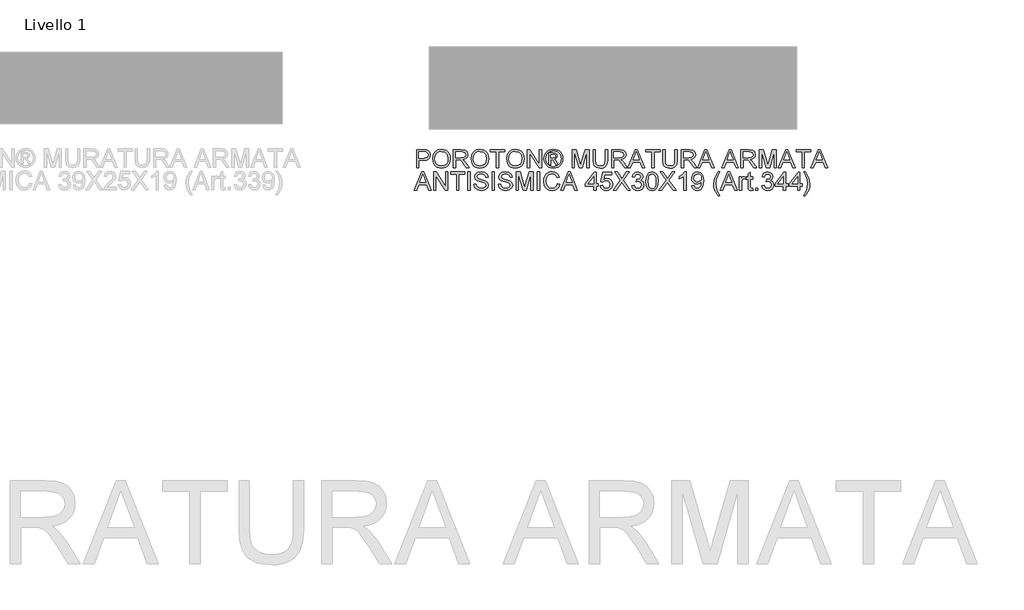
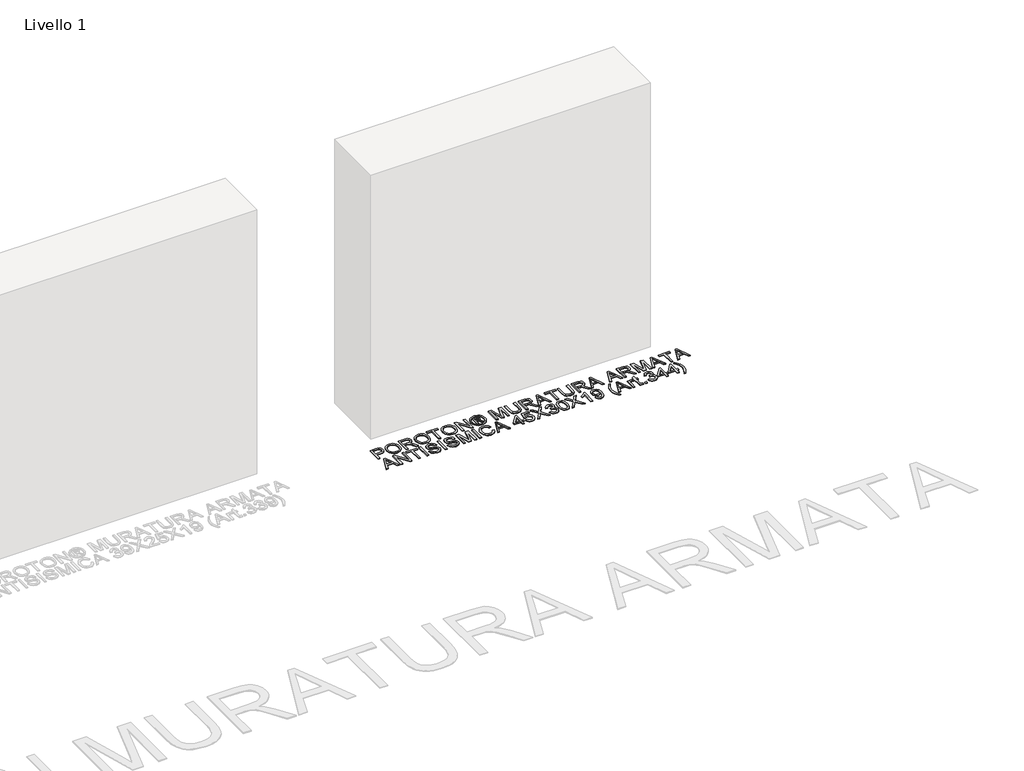
# One storey, part 6 of 8: 1 proxy.
"""IFC4 building model written with IfcOpenShell, lengths in millimetres."""

import ifcopenshell
import ifcopenshell.guid

model = None  # the IFC model being written
_history = None  # IfcOwnerHistory: only IFC2X3 demands one
_inside = {}  # id of a spatial element -> (the spatial element, [elements in it])
_under = {}  # id of a project, library or spatial element -> (it, [spatial elements below it])
_declared = {}  # id of a project -> (the project, [libraries it declares])
_typed = {}  # id of a type object -> (the type object, [elements of that type])
_made_of = {}  # id of a material, layer set ... -> (it, [elements and type objects made of it])


def new_model(schema):
    """Start an empty IFC model of exactly this schema.

    Asked for "IFC4X3", IfcOpenShell would pick the latest addendum, in which some entities
    have other attributes; the version numbers below select the first issue.
    IFC2X3 requires an IfcOwnerHistory on every rooted entity: one is made here for all.
    """
    global model, _history
    if schema == "IFC4X3":
        model = ifcopenshell.file(schema_version=(4, 3, 0, 0))
    else:
        model = ifcopenshell.file(schema=schema)
    _inside.clear()
    _under.clear()
    _declared.clear()
    _typed.clear()
    _made_of.clear()
    _history = None
    if model.schema == "IFC2X3":
        org = make("IfcOrganization", Name="unknown")
        user = make(
            "IfcPersonAndOrganization",
            ThePerson=make("IfcPerson", FamilyName="unknown"),
            TheOrganization=org,
        )
        app = make(
            "IfcApplication",
            ApplicationDeveloper=org,
            Version="unknown",
            ApplicationFullName="unknown",
            ApplicationIdentifier="unknown",
        )
        _history = make(
            "IfcOwnerHistory",
            OwningUser=user,
            OwningApplication=app,
            ChangeAction="ADDED",
            CreationDate=0,
        )
    return model


def make(cls, **values):
    """One entity of the class cls with the attributes given. An attribute that is None is left unset."""
    return model.create_entity(
        cls, **{name: value for name, value in values.items() if value is not None}
    )


def rooted(cls, **values):
    """An entity with a GlobalId (a new one), such as an element, a storey or a relation."""
    return make(cls, GlobalId=ifcopenshell.guid.new(), OwnerHistory=_history, **values)


def si_unit(unit_type, name, prefix=None):
    """IfcSIUnit, for example si_unit("LENGTHUNIT", "METRE", prefix="MILLI")."""
    return make("IfcSIUnit", UnitType=unit_type, Prefix=prefix, Name=name)


def assignment(units):
    """IfcUnitAssignment: the units of a project."""
    return None if units is None else make("IfcUnitAssignment", Units=units)


def point(xyz):
    """IfcCartesianPoint."""
    return None if xyz is None else make("IfcCartesianPoint", Coordinates=xyz)


def direction(xyz):
    """IfcDirection."""
    return None if xyz is None else make("IfcDirection", DirectionRatios=xyz)


def frame(location, z_axis=None, x_axis=None):
    """IfcAxis2Placement3D, a coordinate frame: its origin and axes. An axis left out is left unset."""
    return make(
        "IfcAxis2Placement3D",
        Location=point(location),
        Axis=direction(z_axis),
        RefDirection=direction(x_axis),
    )


def origin():
    """The frame at (0, 0, 0) with its axes left unset."""
    return frame((0.0, 0.0, 0.0))


def origin_with_axes():
    """The frame at (0, 0, 0) with the z axis (0, 0, 1) and the x axis (1, 0, 0) written out."""
    return frame((0.0, 0.0, 0.0), z_axis=(0.0, 0.0, 1.0), x_axis=(1.0, 0.0, 0.0))


def place(relative_to, where):
    """IfcLocalPlacement: puts the frame where relative to a parent placement (None: the world)."""
    return make(
        "IfcLocalPlacement", PlacementRelTo=relative_to, RelativePlacement=where
    )


def context(
    kind, dimensions, precision=None, world=None, true_north=None, identifier=None
):
    """IfcGeometricRepresentationContext, for example the 3D "Model" context."""
    return make(
        "IfcGeometricRepresentationContext",
        ContextIdentifier=identifier,
        ContextType=kind,
        CoordinateSpaceDimension=dimensions,
        Precision=precision,
        WorldCoordinateSystem=world,
        TrueNorth=true_north,
    )


def project(units=None, contexts=None):
    """IfcProject with its units and contexts."""
    return rooted(
        "IfcProject",
        Name="project",
        RepresentationContexts=contexts,
        UnitsInContext=assignment(units),
    )


def spatial(cls, under=None, at=None, **own):
    """A site, building, storey or space (cls), placed at a placement, below another one or the project."""
    s = rooted(cls, ObjectPlacement=at, **own)
    if under is not None:
        _under.setdefault(under.id(), (under, []))[1].append(s)
    return s


def polyline(points):
    """IfcPolyline through the points."""
    return make("IfcPolyline", Points=[point(p) for p in points])


def outline(outer, holes=None, kind="AREA"):
    """IfcArbitraryClosedProfileDef: a profile drawn as a closed curve; with holes, ...WithVoids."""
    if holes is None:
        return make("IfcArbitraryClosedProfileDef", ProfileType=kind, OuterCurve=outer)
    return make(
        "IfcArbitraryProfileDefWithVoids",
        ProfileType=kind,
        OuterCurve=outer,
        InnerCurves=holes,
    )


def extrude(swept, where, along, depth):
    """IfcExtrudedAreaSolid: the profile swept, set in the frame where, extruded along a direction by depth."""
    return make(
        "IfcExtrudedAreaSolid",
        SweptArea=swept,
        Position=where,
        ExtrudedDirection=direction(along),
        Depth=depth,
    )


def shape(context_of_items, identifier, shape_type, items):
    """IfcShapeRepresentation: the items that make up one representation, for example the "Body"."""
    return make(
        "IfcShapeRepresentation",
        ContextOfItems=context_of_items,
        RepresentationIdentifier=identifier,
        RepresentationType=shape_type,
        Items=items,
    )


def made_of(thing, what):
    """Note that an element or type object is made of a material, layer set ...; save() writes the relation."""
    if what is not None:
        _made_of.setdefault(what.id(), (what, []))[1].append(thing)
    return thing


def element(
    cls,
    number,
    at=None,
    inside=None,
    cuts=None,
    type_object=None,
    material=None,
    context=None,
    identifier="Body",
    shape_type=None,
    held_by="IfcProductDefinitionShape",
    body=None,
    shapes=None,
    **own,
):
    """One element of the class cls, such as IfcWall. Its Tag is "e" and its number.

    at: its placement. inside: the storey or other place that contains it. cuts: it is an
    opening in that element (IfcRelVoidsElement). A single representation is given by context,
    identifier, shape_type and body (its items); several are given by shapes. held_by: the class
    of the entity that holds the representations. save() writes the other relations.
    """
    e = rooted(cls, Tag="e%d" % number, ObjectPlacement=at, **own)
    if body is not None:
        shapes = [shape(context, identifier, shape_type, body)]
    if shapes is not None:
        e.Representation = make(held_by, Representations=shapes)
    if inside is not None:
        _inside.setdefault(inside.id(), (inside, []))[1].append(e)
    if cuts is not None:
        rooted(
            "IfcRelVoidsElement", RelatingBuildingElement=cuts, RelatedOpeningElement=e
        )
    if type_object is not None:
        _typed.setdefault(type_object.id(), (type_object, []))[1].append(e)
    return made_of(e, material)


def aggregate(whole, parts):
    """IfcRelAggregates: a whole, such as a stair, and the parts it consists of."""
    return rooted("IfcRelAggregates", RelatingObject=whole, RelatedObjects=parts)


def save(model, path):
    """Write the relations noted so far, then the file.

    IfcRelAggregates (storeys below a building ...), IfcRelContainedInSpatialStructure (elements
    in a storey), IfcRelDefinesByType, IfcRelAssociatesMaterial and IfcRelDeclares: one each for
    every whole, place, type object, material and project.
    """
    for whole, parts in _under.values():
        aggregate(whole, parts)
    for where, things in _inside.values():
        rooted(
            "IfcRelContainedInSpatialStructure",
            RelatedElements=things,
            RelatingStructure=where,
        )
    for kind, things in _typed.values():
        rooted("IfcRelDefinesByType", RelatedObjects=things, RelatingType=kind)
    for what, things in _made_of.values():
        rooted("IfcRelAssociatesMaterial", RelatedObjects=things, RelatingMaterial=what)
    for by, libraries in _declared.values():
        rooted("IfcRelDeclares", RelatingContext=by, RelatedDefinitions=libraries)
    model.write(path)


model = new_model("IFC4")

# Units and contexts
model_context = context("Model", 3, world=origin())
ifc_project = project(units=[si_unit("LENGTHUNIT", "METRE", prefix="MILLI")], contexts=[model_context])

# Site, building, storey
site = spatial("IfcSite", under=ifc_project)
building = spatial("IfcBuilding", under=site)
storey = spatial("IfcBuildingStorey", under=building, Name="Livello 1", Elevation=0.0)

# Proxy
placement = place(None, origin())
element("IfcBuildingElementProxy", 1, Name="100", ObjectType="100", at=placement, inside=storey, context=model_context, shape_type="SweptSolid", body=[
    extrude(outline(polyline([(4362.7441809, -943.4379077), (4362.7441809, -842.9815975), (4399.9738388, -842.9815975), (4414.9834242, -843.9380907), (4427.1848437, -848.6347175), (4435.0943066, -858.3468022), (4438.0864135, -872.0442751), (4436.0661282, -883.883944), (4430.0052724, -893.7493128), (4418.6714412, -900.407977), (4400.8322302, -902.6275317), (4375.3012197, -902.6275317), (4375.3012197, -943.4379077), (4362.7441809, -943.4379077)]), holes=[polyline([(4375.3012197, -890.0704929), (4401.5679941, -890.0704929), (4420.0601958, -885.4597052), (4424.16208, -879.9108185), (4425.5293748, -872.4857335), (4422.3042759, -862.0869358), (4413.8307273, -856.3970276), (4401.2736885, -855.5386363), (4375.3012197, -855.5386363), (4375.3012197, -890.0704929)])]), origin_with_axes(), (0.0, 0.0, 1.0), 5.0),
    extrude(outline(polyline([(4450.6434523, -894.5341278), (4453.9911785, -872.3201866), (4464.0343569, -855.5141108), (4479.3689048, -844.9375035), (4498.590739, -841.4119677), (4511.7670458, -843.0674366), (4523.5821892, -848.0338436), (4533.3923757, -855.9617006), (4540.5538119, -866.5015197), (4544.9316077, -879.1443976), (4546.3908729, -893.3814309), (4544.8549656, -907.8085364), (4540.2472436, -920.629224), (4532.8221587, -931.1874372), (4522.8341625, -938.82712), (4511.1201866, -943.4624331), (4498.5171626, -945.0075375), (4485.1385207, -943.2999519), (4473.2559323, -938.1771951), (4463.4702712, -930.1021853), (4456.3824114, -919.5378407), (4450.6434523, -894.5341278)]), holes=[polyline([(4463.2004911, -894.6567551), (4465.7112857, -910.3714477), (4473.2436695, -922.3460066), (4484.5652379, -929.9243757), (4498.4435862, -932.4504987), (4512.5242696, -929.8998502), (4523.8642321, -922.2479047), (4531.3414336, -909.9054638), (4533.8338341, -893.283329), (4529.566403, -872.5593099), (4517.0952034, -858.8373115), (4498.6643154, -853.9690064), (4485.1569148, -856.3142542), (4473.6728652, -863.3499973), (4465.8185846, -875.8671822), (4463.2004911, -894.6567551)])]), origin_with_axes(), (0.0, 0.0, 1.0), 5.0),
    extrude(outline(polyline([(4563.6568012, -943.4379077), (4563.6568012, -842.9815975), (4606.9442493, -842.9815975), (4627.042869, -845.6916615), (4638.0302779, -855.2811189), (4642.1382935, -870.4746453), (4640.4368393, -880.370671), (4635.3324766, -888.5744394), (4626.6719213, -894.5893101), (4614.3018892, -897.9186421), (4621.4387999, -903.2897193), (4631.6168685, -916.21464), (4648.367762, -943.4379077), (4633.7751095, -943.4379077), (4620.7030359, -922.6157867), (4611.2607314, -908.8324746), (4604.6265927, -902.3209633), (4598.6546417, -899.9297304), (4591.3705782, -899.488272), (4576.21384, -899.488272), (4576.21384, -943.4379077), (4563.6568012, -943.4379077)]), holes=[polyline([(4576.21384, -886.9312332), (4604.3200244, -886.9312332), (4618.6551595, -885.1531369), (4626.7976143, -879.4632287), (4629.5812548, -870.9406291), (4624.2714913, -859.8796438), (4607.4838096, -855.5386363), (4576.21384, -855.5386363), (4576.21384, -886.9312332)])]), origin_with_axes(), (0.0, 0.0, 1.0), 5.0),
    extrude(outline(polyline([(4659.4042218, -894.5341278), (4662.751948, -872.3201866), (4672.7951265, -855.5141108), (4688.1296743, -844.9375035), (4707.3515085, -841.4119677), (4720.5278153, -843.0674366), (4732.3429587, -848.0338436), (4742.1531453, -855.9617006), (4749.3145815, -866.5015197), (4753.6923772, -879.1443976), (4755.1516424, -893.3814309), (4753.6157351, -907.8085364), (4749.0080131, -920.629224), (4741.5829282, -931.1874372), (4731.594932, -938.82712), (4719.8809562, -943.4624331), (4707.2779321, -945.0075375), (4693.8992902, -943.2999519), (4682.0167018, -938.1771951), (4672.2310407, -930.1021853), (4665.143181, -919.5378407), (4659.4042218, -894.5341278)]), holes=[polyline([(4671.9612606, -894.6567551), (4674.4720552, -910.3714477), (4682.0044391, -922.3460066), (4693.3260075, -929.9243757), (4707.2043557, -932.4504987), (4721.2850391, -929.8998502), (4732.6250016, -922.2479047), (4740.1022032, -909.9054638), (4742.5946037, -893.283329), (4738.3271725, -872.5593099), (4725.8559729, -858.8373115), (4707.4250849, -853.9690064), (4693.9176843, -856.3142542), (4682.4336347, -863.3499973), (4674.5793541, -875.8671822), (4671.9612606, -894.6567551)])]), origin_with_axes(), (0.0, 0.0, 1.0), 5.0),
    extrude(outline(polyline([(4797.5316483, -943.4379077), (4797.5316483, -855.5386363), (4764.5694215, -855.5386363), (4764.5694215, -842.9815975), (4843.0509138, -842.9815975), (4843.0509138, -855.5386363), (4810.0886871, -855.5386363), (4810.0886871, -943.4379077), (4797.5316483, -943.4379077)])), origin_with_axes(), (0.0, 0.0, 1.0), 5.0),
    extrude(outline(polyline([(4852.4686929, -894.5341278), (4855.8164191, -872.3201866), (4865.8595975, -855.5141108), (4881.1941454, -844.9375035), (4900.4159796, -841.4119677), (4913.5922864, -843.0674366), (4925.4074298, -848.0338436), (4935.2176163, -855.9617006), (4942.3790525, -866.5015197), (4946.7568483, -879.1443976), (4948.2161135, -893.3814309), (4946.6802062, -907.8085364), (4942.0724842, -920.629224), (4934.6473993, -931.1874372), (4924.6594031, -938.82712), (4912.9454272, -943.4624331), (4900.3424032, -945.0075375), (4886.9637613, -943.2999519), (4875.0811729, -938.1771951), (4865.2955118, -930.1021853), (4858.207652, -919.5378407), (4852.4686929, -894.5341278)]), holes=[polyline([(4865.0257317, -894.6567551), (4867.5365263, -910.3714477), (4875.0689101, -922.3460066), (4886.3904785, -929.9243757), (4900.2688268, -932.4504987), (4914.3495102, -929.8998502), (4925.6894727, -922.2479047), (4933.1666742, -909.9054638), (4935.6590747, -893.283329), (4931.3916436, -872.5593099), (4918.920444, -858.8373115), (4900.489556, -853.9690064), (4886.9821554, -856.3142542), (4875.4981058, -863.3499973), (4867.6438252, -875.8671822), (4865.0257317, -894.6567551)])]), origin_with_axes(), (0.0, 0.0, 1.0), 5.0),
    extrude(outline(polyline([(4965.4820418, -943.4379077), (4965.4820418, -842.9815975), (4978.9219974, -842.9815975), (5031.4064954, -922.5667358), (5031.4064954, -842.9815975), (5043.9635341, -842.9815975), (5043.9635341, -943.4379077), (5030.5235786, -943.4379077), (4978.0390806, -863.8282439), (4978.0390806, -943.4379077), (4965.4820418, -943.4379077)])), origin_with_axes(), (0.0, 0.0, 1.0), 5.0),
    extrude(outline(polyline([(5106.7732534, -841.4119677), (5119.6675174, -843.0858307), (5132.255213, -848.10742), (5143.3131326, -856.2437434), (5151.6180686, -867.2618092), (5156.8144018, -879.9843949), (5158.5465129, -893.2342781), (5156.8389273, -906.3676653), (5151.7161705, -918.9860177), (5143.512402, -929.9642296), (5132.5617813, -938.1771951), (5119.9526259, -943.2999519), (5106.7732534, -945.0075375), (5093.6122751, -943.2999519), (5081.009251, -938.1771951), (5070.0494333, -929.9642296), (5061.8180736, -918.9860177), (5056.6677257, -906.3676653), (5054.950943, -893.2342781), (5056.6922512, -879.9843949), (5061.9161755, -867.2618092), (5070.2487027, -856.2437434), (5081.3158194, -848.10742), (5093.8973836, -843.0858307), (5106.7732534, -841.4119677)]), holes=[polyline([(5106.7732534, -850.8297467), (5085.9511325, -856.3111885), (5076.9226952, -862.9729183), (5070.0954185, -871.9952242), (5064.3687221, -893.2342781), (5069.9850539, -914.2893909), (5085.7058778, -929.9734266), (5106.7732534, -935.5897584), (5127.8528918, -929.9734266), (5143.5369275, -914.2893909), (5149.1287338, -893.2342781), (5143.4388256, -871.9952242), (5136.629943, -862.9729183), (5127.5831116, -856.3111885), (5106.7732534, -850.8297467)])]), origin_with_axes(), (0.0, 0.0, 1.0), 5.0),
    extrude(outline(polyline([(5083.2042803, -924.6023495), (5083.2042803, -861.8171557), (5103.4868409, -861.8171557), (5118.5454773, -863.546201), (5125.9644308, -869.5794658), (5128.7235458, -878.7397274), (5123.9656053, -890.6591041), (5111.3595156, -896.3490123), (5116.2646089, -899.6844757), (5124.8239967, -912.216989), (5131.8628055, -924.6023495), (5121.267804, -924.6023495), (5115.7495741, -914.6450102), (5106.5034733, -900.224036), (5098.4836458, -897.9186421), (5092.6220593, -897.9186421), (5092.6220593, -924.6023495), (5083.2042803, -924.6023495)]), holes=[polyline([(5092.6220593, -888.500863), (5104.541436, -888.500863), (5116.1910325, -886.1096301), (5119.3057667, -879.769797), (5117.8097133, -875.2080603), (5113.6526467, -872.2159534), (5103.7811465, -871.2349347), (5092.6220593, -871.2349347), (5092.6220593, -888.500863)])]), origin_with_axes(), (0.0, 0.0, 1.0), 5.0),
    extrude(outline(polyline([(5208.774668, -943.4379077), (5208.774668, -842.9815975), (5230.3816038, -842.9815975), (5250.9339446, -913.7866189), (5255.0787484, -928.5754751), (5259.5669088, -912.5603455), (5279.775893, -842.9815975), (5301.3828289, -842.9815975), (5301.3828289, -943.4379077), (5288.8257901, -943.4379077), (5288.8257901, -855.5386363), (5263.5890852, -943.4379077), (5246.5684116, -943.4379077), (5221.3317067, -855.5386363), (5221.3317067, -943.4379077), (5208.774668, -943.4379077)])), origin_with_axes(), (0.0, 0.0, 1.0), 5.0),
    extrude(outline(polyline([(5389.2821003, -842.9815975), (5401.839139, -842.9815975), (5401.839139, -900.9352745), (5398.4300992, -924.9579688), (5386.1428406, -939.4279939), (5375.8789329, -943.6126516), (5362.8436475, -945.0075375), (5339.9000738, -940.1514952), (5332.260391, -934.2071353), (5327.1713567, -926.0861402), (5323.3576467, -900.9352745), (5323.3576467, -842.9815975), (5335.9146855, -842.9815975), (5335.9146855, -900.4938161), (5338.3917576, -919.6359426), (5346.9020944, -929.1150353), (5361.6664252, -932.4504987), (5374.4380618, -930.8011611), (5382.9300045, -925.8531483), (5387.6940763, -916.21464), (5389.2821003, -900.4938161), (5389.2821003, -842.9815975)])), origin_with_axes(), (0.0, 0.0, 1.0), 5.0),
    extrude(outline(polyline([(5423.8139569, -943.4379077), (5423.8139569, -842.9815975), (5467.101405, -842.9815975), (5487.2000246, -845.6916615), (5498.1874336, -855.2811189), (5502.2954492, -870.4746453), (5500.593995, -880.370671), (5495.4896323, -888.5744394), (5486.829077, -894.5893101), (5474.4590449, -897.9186421), (5481.5959556, -903.2897193), (5491.7740241, -916.21464), (5508.5249176, -943.4379077), (5493.9322652, -943.4379077), (5480.8601916, -922.6157867), (5471.4178871, -908.8324746), (5464.7837484, -902.3209633), (5458.8117973, -899.9297304), (5451.5277338, -899.488272), (5436.3709956, -899.488272), (5436.3709956, -943.4379077), (5423.8139569, -943.4379077)]), holes=[polyline([(5436.3709956, -886.9312332), (5464.4771801, -886.9312332), (5478.8123152, -885.1531369), (5486.95477, -879.4632287), (5489.7384104, -870.9406291), (5484.4286469, -859.8796438), (5467.6409652, -855.5386363), (5436.3709956, -855.5386363), (5436.3709956, -886.9312332)])]), origin_with_axes(), (0.0, 0.0, 1.0), 5.0),
    extrude(outline(polyline([(5512.5716196, -943.4379077), (5552.6707571, -842.9815975), (5563.3638604, -842.9815975), (5603.4629979, -943.4379077), (5590.1947206, -943.4379077), (5578.6922768, -912.0453107), (5537.3178151, -912.0453107), (5525.8398969, -943.4379077), (5512.5716196, -943.4379077)]), holes=[polyline([(5541.9286028, -899.488272), (5574.1060146, -899.488272), (5565.0561176, -874.7911274), (5558.0173087, -855.5386363), (5551.7633148, -872.6328863), (5541.9286028, -899.488272)])]), origin_with_axes(), (0.0, 0.0, 1.0), 5.0),
    extrude(outline(polyline([(5641.9925055, -943.4379077), (5641.9925055, -855.5386363), (5609.0302787, -855.5386363), (5609.0302787, -842.9815975), (5687.511771, -842.9815975), (5687.511771, -855.5386363), (5654.5495442, -855.5386363), (5654.5495442, -943.4379077), (5641.9925055, -943.4379077)])), origin_with_axes(), (0.0, 0.0, 1.0), 5.0),
    extrude(outline(polyline([(5767.5628932, -842.9815975), (5780.1199319, -842.9815975), (5780.1199319, -900.9352745), (5776.7108921, -924.9579688), (5764.4236335, -939.4279939), (5754.1597258, -943.6126516), (5741.1244404, -945.0075375), (5718.1808667, -940.1514952), (5710.5411839, -934.2071353), (5705.4521496, -926.0861402), (5701.6384396, -900.9352745), (5701.6384396, -842.9815975), (5714.1954784, -842.9815975), (5714.1954784, -900.4938161), (5716.6725505, -919.6359426), (5725.1828873, -929.1150353), (5739.9472181, -932.4504987), (5752.7188547, -930.8011611), (5761.2107974, -925.8531483), (5765.9748692, -916.21464), (5767.5628932, -900.4938161), (5767.5628932, -842.9815975)])), origin_with_axes(), (0.0, 0.0, 1.0), 5.0),
    extrude(outline(polyline([(5802.0947498, -943.4379077), (5802.0947498, -842.9815975), (5845.3821979, -842.9815975), (5865.4808176, -845.6916615), (5876.4682265, -855.2811189), (5880.5762421, -870.4746453), (5878.8747879, -880.370671), (5873.7704252, -888.5744394), (5865.1098699, -894.5893101), (5852.7398378, -897.9186421), (5859.8767485, -903.2897193), (5870.054817, -916.21464), (5886.8057105, -943.4379077), (5872.2130581, -943.4379077), (5859.1409845, -922.6157867), (5849.69868, -908.8324746), (5843.0645413, -902.3209633), (5837.0925903, -899.9297304), (5829.8085268, -899.488272), (5814.6517886, -899.488272), (5814.6517886, -943.4379077), (5802.0947498, -943.4379077)]), holes=[polyline([(5814.6517886, -886.9312332), (5842.757973, -886.9312332), (5857.0931081, -885.1531369), (5865.2355629, -879.4632287), (5868.0192033, -870.9406291), (5862.7094399, -859.8796438), (5845.9217581, -855.5386363), (5814.6517886, -855.5386363), (5814.6517886, -886.9312332)])]), origin_with_axes(), (0.0, 0.0, 1.0), 5.0),
    extrude(outline(polyline([(5890.8524125, -943.4379077), (5930.95155, -842.9815975), (5941.6446533, -842.9815975), (5981.7437908, -943.4379077), (5968.4755135, -943.4379077), (5956.9730698, -912.0453107), (5915.598608, -912.0453107), (5904.1206898, -943.4379077), (5890.8524125, -943.4379077)]), holes=[polyline([(5920.2093957, -899.488272), (5952.3868075, -899.488272), (5943.3369105, -874.7911274), (5936.2981016, -855.5386363), (5930.0441077, -872.6328863), (5920.2093957, -899.488272)])]), origin_with_axes(), (0.0, 0.0, 1.0), 5.0),
    extrude(outline(polyline([(6022.7013196, -943.4379077), (6062.800457, -842.9815975), (6073.4935604, -842.9815975), (6113.5926978, -943.4379077), (6100.3244205, -943.4379077), (6088.8219768, -912.0453107), (6047.4475151, -912.0453107), (6035.9695968, -943.4379077), (6022.7013196, -943.4379077)]), holes=[polyline([(6052.0583028, -899.488272), (6084.2357146, -899.488272), (6075.1858175, -874.7911274), (6068.1470087, -855.5386363), (6061.8930148, -872.6328863), (6052.0583028, -899.488272)])]), origin_with_axes(), (0.0, 0.0, 1.0), 5.0),
    extrude(outline(polyline([(6127.0081279, -943.4379077), (6127.0081279, -842.9815975), (6170.295576, -842.9815975), (6190.3941957, -845.6916615), (6201.3816046, -855.2811189), (6205.4896202, -870.4746453), (6203.788166, -880.370671), (6198.6838033, -888.5744394), (6190.023248, -894.5893101), (6177.6532159, -897.9186421), (6184.7901266, -903.2897193), (6194.9681952, -916.21464), (6211.7190887, -943.4379077), (6197.1264362, -943.4379077), (6184.0543626, -922.6157867), (6174.6120581, -908.8324746), (6167.9779195, -902.3209633), (6162.0059684, -899.9297304), (6154.7219049, -899.488272), (6139.5651667, -899.488272), (6139.5651667, -943.4379077), (6127.0081279, -943.4379077)]), holes=[polyline([(6139.5651667, -886.9312332), (6167.6713511, -886.9312332), (6182.0064862, -885.1531369), (6190.148941, -879.4632287), (6192.9325815, -870.9406291), (6187.622818, -859.8796438), (6170.8351363, -855.5386363), (6139.5651667, -855.5386363), (6139.5651667, -886.9312332)])]), origin_with_axes(), (0.0, 0.0, 1.0), 5.0),
    extrude(outline(polyline([(6227.4644381, -943.4379077), (6227.4644381, -842.9815975), (6249.0713739, -842.9815975), (6269.6237147, -913.7866189), (6273.7685185, -928.5754751), (6278.2566789, -912.5603455), (6298.4656631, -842.9815975), (6320.072599, -842.9815975), (6320.072599, -943.4379077), (6307.5155602, -943.4379077), (6307.5155602, -855.5386363), (6282.2788554, -943.4379077), (6265.2581817, -943.4379077), (6240.0214768, -855.5386363), (6240.0214768, -943.4379077), (6227.4644381, -943.4379077)])), origin_with_axes(), (0.0, 0.0, 1.0), 5.0),
    extrude(outline(polyline([(6330.3487694, -943.4379077), (6370.4479069, -842.9815975), (6381.1410102, -842.9815975), (6421.2401477, -943.4379077), (6407.9718704, -943.4379077), (6396.4694267, -912.0453107), (6355.0949649, -912.0453107), (6343.6170467, -943.4379077), (6330.3487694, -943.4379077)]), holes=[polyline([(6359.7057526, -899.488272), (6391.8831644, -899.488272), (6382.8332674, -874.7911274), (6375.7944585, -855.5386363), (6369.5404646, -872.6328863), (6359.7057526, -899.488272)])]), origin_with_axes(), (0.0, 0.0, 1.0), 5.0),
    extrude(outline(polyline([(6459.7696553, -943.4379077), (6459.7696553, -855.5386363), (6426.8074285, -855.5386363), (6426.8074285, -842.9815975), (6505.2889208, -842.9815975), (6505.2889208, -855.5386363), (6472.3266941, -855.5386363), (6472.3266941, -943.4379077), (6459.7696553, -943.4379077)])), origin_with_axes(), (0.0, 0.0, 1.0), 5.0),
    extrude(outline(polyline([(6507.716942, -943.4379077), (6547.8160795, -842.9815975), (6558.5091828, -842.9815975), (6598.6083203, -943.4379077), (6585.340043, -943.4379077), (6573.8375993, -912.0453107), (6532.4631375, -912.0453107), (6520.9852193, -943.4379077), (6507.716942, -943.4379077)]), holes=[polyline([(6537.0739252, -899.488272), (6569.2513371, -899.488272), (6560.20144, -874.7911274), (6553.1626311, -855.5386363), (6546.9086372, -872.6328863), (6537.0739252, -899.488272)])]), origin_with_axes(), (0.0, 0.0, 1.0), 5.0),
    extrude(outline(polyline([(4351.0455335, -1065.4127255), (4391.1446709, -964.9564154), (4401.8377743, -964.9564154), (4441.9369117, -1065.4127255), (4428.6686345, -1065.4127255), (4417.1661907, -1034.0201286), (4375.791729, -1034.0201286), (4364.3138108, -1065.4127255), (4351.0455335, -1065.4127255)]), holes=[polyline([(4380.4025167, -1021.4630898), (4412.5799285, -1021.4630898), (4403.5300315, -996.7659452), (4396.4912226, -977.5134541), (4390.2372287, -994.6077042), (4380.4025167, -1021.4630898)])]), origin_with_axes(), (0.0, 0.0, 1.0), 5.0),
    extrude(outline(polyline([(4455.3523418, -1065.4127255), (4455.3523418, -964.9564154), (4468.7922974, -964.9564154), (4521.2767954, -1044.5415536), (4521.2767954, -964.9564154), (4533.8338341, -964.9564154), (4533.8338341, -1065.4127255), (4520.3938786, -1065.4127255), (4467.9093806, -985.8030618), (4467.9093806, -1065.4127255), (4455.3523418, -1065.4127255)])), origin_with_axes(), (0.0, 0.0, 1.0), 5.0),
    extrude(outline(polyline([(4580.9227295, -1065.4127255), (4580.9227295, -977.5134541), (4547.9605028, -977.5134541), (4547.9605028, -964.9564154), (4626.4419951, -964.9564154), (4626.4419951, -977.5134541), (4593.4797683, -977.5134541), (4593.4797683, -1065.4127255), (4580.9227295, -1065.4127255)])), origin_with_axes(), (0.0, 0.0, 1.0), 5.0),
    extrude(outline(polyline([(4642.1382935, -1065.4127255), (4642.1382935, -964.9564154), (4654.6953323, -964.9564154), (4654.6953323, -1065.4127255), (4642.1382935, -1065.4127255)])), origin_with_axes(), (0.0, 0.0, 1.0), 5.0),
    extrude(outline(polyline([(4675.1005203, -1030.8808689), (4687.6575591, -1030.8808689), (4691.704261, -1043.4501704), (4701.5880239, -1051.3964215), (4716.6466603, -1054.4253166), (4729.7677848, -1052.1321855), (4738.2413334, -1045.8291406), (4741.0249738, -1037.4046429), (4738.9403092, -1029.5687564), (4730.4054469, -1023.8665855), (4712.1217117, -1019.0718568), (4692.440025, -1012.8791766), (4681.7591844, -1003.5349739), (4678.23978, -991.0515115), (4682.5930503, -976.8390038), (4695.3095046, -966.8080881), (4713.9243335, -963.3867855), (4733.7899613, -966.9675036), (4747.0337131, -977.4889287), (4752.0123827, -993.2097526), (4739.455344, -993.2097526), (4737.1499501, -985.7172226), (4732.3429587, -980.3093573), (4714.4148428, -975.9438243), (4696.437676, -980.2603064), (4690.7968188, -990.6836296), (4694.7944698, -999.3901701), (4715.2977596, -1006.4044535), (4737.5178321, -1012.7074983), (4749.6702007, -1022.8855669), (4753.5820126, -1037.0858119), (4749.0815895, -1052.10766), (4736.1321433, -1063.0705435), (4717.1371696, -1066.9823554), (4694.7086306, -1062.7639751), (4680.5206484, -1050.0597836), (4675.1005203, -1030.8808689)])), origin_with_axes(), (0.0, 0.0, 1.0), 5.0),
    extrude(outline(polyline([(4773.9872006, -1065.4127255), (4773.9872006, -964.9564154), (4786.5442394, -964.9564154), (4786.5442394, -1065.4127255), (4773.9872006, -1065.4127255)])), origin_with_axes(), (0.0, 0.0, 1.0), 5.0),
    extrude(outline(polyline([(4806.9494274, -1030.8808689), (4819.5064661, -1030.8808689), (4823.5531681, -1043.4501704), (4833.436931, -1051.3964215), (4848.4955674, -1054.4253166), (4861.6166918, -1052.1321855), (4870.0902405, -1045.8291406), (4872.8738809, -1037.4046429), (4870.7892163, -1029.5687564), (4862.254354, -1023.8665855), (4843.9706188, -1019.0718568), (4824.2889321, -1012.8791766), (4813.6080915, -1003.5349739), (4810.0886871, -991.0515115), (4814.4419573, -976.8390038), (4827.1584116, -966.8080881), (4845.7732406, -963.3867855), (4865.6388683, -966.9675036), (4878.8826202, -977.4889287), (4883.8612898, -993.2097526), (4871.3042511, -993.2097526), (4868.9988572, -985.7172226), (4864.1918658, -980.3093573), (4846.2637499, -975.9438243), (4828.2865831, -980.2603064), (4822.6457258, -990.6836296), (4826.6433768, -999.3901701), (4847.1466667, -1006.4044535), (4869.3667392, -1012.7074983), (4881.5191078, -1022.8855669), (4885.4309197, -1037.0858119), (4880.9304966, -1052.10766), (4867.9810504, -1063.0705435), (4848.9860767, -1066.9823554), (4826.5575377, -1062.7639751), (4812.3695554, -1050.0597836), (4806.9494274, -1030.8808689)])), origin_with_axes(), (0.0, 0.0, 1.0), 5.0),
    extrude(outline(polyline([(4904.2664778, -1065.4127255), (4904.2664778, -964.9564154), (4925.8734137, -964.9564154), (4946.4257545, -1035.7614367), (4950.5705583, -1050.5502929), (4955.0587186, -1034.5351634), (4975.2677029, -964.9564154), (4996.8746387, -964.9564154), (4996.8746387, -1065.4127255), (4984.3176, -1065.4127255), (4984.3176, -977.5134541), (4959.0808951, -1065.4127255), (4942.0602215, -1065.4127255), (4916.8235166, -977.5134541), (4916.8235166, -1065.4127255), (4904.2664778, -1065.4127255)])), origin_with_axes(), (0.0, 0.0, 1.0), 5.0),
    extrude(outline(polyline([(5020.4190864, -1065.4127255), (5020.4190864, -964.9564154), (5032.9761252, -964.9564154), (5032.9761252, -1065.4127255), (5020.4190864, -1065.4127255)])), origin_with_axes(), (0.0, 0.0, 1.0), 5.0),
    extrude(outline(polyline([(5128.7235458, -1029.7036465), (5141.2805846, -1032.9410081), (5135.4864432, -1047.5735144), (5126.3936265, -1058.2635521), (5114.4497244, -1064.8026545), (5100.1023266, -1066.9823554), (5085.5372653, -1065.3330177), (5073.9704422, -1060.3850049), (5065.1044861, -1052.3099951), (5058.6420257, -1041.2796666), (5053.3813132, -1014.424281), (5054.8681696, -999.7764462), (5059.3287388, -987.1274369), (5066.5300288, -976.8788577), (5076.2390478, -969.432313), (5087.7537543, -964.8981674), (5100.3721067, -963.3867855), (5114.1400904, -965.3426915), (5125.5229725, -971.2104093), (5134.1651337, -980.6281884), (5139.7109547, -993.2342781), (5127.153916, -996.2263849), (5116.8532201, -980.7876039), (5099.8815974, -975.9438243), (5080.2366988, -981.3149014), (5069.1389253, -995.7358756), (5065.938352, -1014.3997555), (5069.7275365, -1036.0312168), (5081.5242858, -1049.8513171), (5098.8515278, -1054.4253166), (5109.333099, -1052.8679495), (5118.0672307, -1048.1958481), (5124.6615154, -1040.4580635), (5128.7235458, -1029.7036465)])), origin_with_axes(), (0.0, 0.0, 1.0), 5.0),
    extrude(outline(polyline([(5146.8478654, -1065.4127255), (5186.9470029, -964.9564154), (5197.6401062, -964.9564154), (5237.7392437, -1065.4127255), (5224.4709664, -1065.4127255), (5212.9685227, -1034.0201286), (5171.594061, -1034.0201286), (5160.1161427, -1065.4127255), (5146.8478654, -1065.4127255)]), holes=[polyline([(5176.2048487, -1021.4630898), (5208.3822605, -1021.4630898), (5199.3323634, -996.7659452), (5192.2935546, -977.5134541), (5186.0395607, -994.6077042), (5176.2048487, -1021.4630898)])]), origin_with_axes(), (0.0, 0.0, 1.0), 5.0),
    extrude(outline(polyline([(5326.4969064, -1065.4127255), (5326.4969064, -1041.8682778), (5280.9776409, -1041.8682778), (5280.9776409, -1029.311239), (5329.6361661, -966.5260452), (5339.0539452, -966.5260452), (5339.0539452, -1029.311239), (5351.610984, -1029.311239), (5351.610984, -1041.8682778), (5339.0539452, -1041.8682778), (5339.0539452, -1065.4127255), (5326.4969064, -1065.4127255)]), holes=[polyline([(5326.4969064, -1029.311239), (5326.4969064, -990.5119513), (5296.4286847, -1029.311239), (5326.4969064, -1029.311239)])]), origin_with_axes(), (0.0, 0.0, 1.0), 5.0),
    extrude(outline(polyline([(5362.5983929, -1038.7290181), (5375.1554316, -1037.1593883), (5381.483002, -1050.0965718), (5394.6041265, -1054.4253166), (5403.6049726, -1052.9200661), (5410.3494759, -1048.4043146), (5414.5617247, -1041.3992283), (5415.9658076, -1032.4259733), (5410.7050951, -1017.5144897), (5404.0985476, -1013.4126055), (5394.8003302, -1012.0453107), (5383.7761331, -1014.2280772), (5376.7250615, -1019.89346), (5364.1680227, -1018.3238301), (5375.1554316, -966.5260452), (5423.8139569, -966.5260452), (5423.8139569, -979.083084), (5385.3089747, -979.083084), (5379.9378976, -1006.74781), (5388.9080869, -1001.3031565), (5398.3074719, -999.488272), (5410.0398418, -1001.7384835), (5419.7795177, -1008.4891181), (5426.3370142, -1018.7775513), (5428.5228464, -1031.6411584), (5426.5546777, -1044.1981971), (5420.6501717, -1054.9403514), (5409.3439317, -1063.9718544), (5394.5550755, -1066.9823554), (5382.2218316, -1065.0479092), (5372.3963167, -1059.2445707), (5365.6610105, -1050.2467903), (5362.5983929, -1038.7290181)])), origin_with_axes(), (0.0, 0.0, 1.0), 5.0),
    extrude(outline(polyline([(5433.231736, -1065.4127255), (5471.9574473, -1010.6718846), (5439.5102553, -964.9564154), (5454.5688917, -964.9564154), (5472.8403641, -990.6836296), (5478.9962562, -1000.7145453), (5486.2067433, -990.5119513), (5504.282012, -964.9564154), (5519.5613775, -964.9564154), (5487.1141855, -1010.8190374), (5525.8398969, -1065.4127255), (5510.7812605, -1065.4127255), (5484.9804699, -1029.0169335), (5479.6093928, -1021.4630898), (5473.6987554, -1029.7526974), (5448.5111015, -1065.4127255), (5433.231736, -1065.4127255)])), origin_with_axes(), (0.0, 0.0, 1.0), 5.0),
    extrude(outline(polyline([(5533.6880461, -1038.7290181), (5546.2450849, -1037.1593883), (5553.1735291, -1050.3786146), (5566.1352381, -1054.4253166), (5574.7436768, -1053.0334964), (5581.3900781, -1048.8580357), (5587.0554609, -1035.0747236), (5581.4391291, -1022.0884892), (5567.1653077, -1016.950404), (5558.3606652, -1018.3238301), (5559.7586168, -1005.7667914), (5561.7697051, -1005.9139442), (5576.019001, -1002.3087006), (5580.7646787, -997.7347011), (5582.3465713, -991.2231898), (5577.7603091, -981.4007405), (5565.9390343, -977.5134541), (5553.9706068, -981.4375287), (5547.8147147, -993.2097526), (5535.2576759, -991.6401227), (5538.95489, -980.3645396), (5545.5338463, -971.9461733), (5554.5346925, -966.7038548), (5565.497576, -964.9564154), (5580.6420514, -968.4022434), (5591.2370529, -977.8200225), (5594.9036101, -990.4874258), (5591.4209939, -1002.0634459), (5581.120298, -1010.377579), (5594.8055082, -1018.9614922), (5599.6124996, -1035.2954528), (5597.2090039, -1047.5336605), (5589.9985168, -1057.76078), (5579.1153411, -1064.6769615), (5565.6937797, -1066.9823554), (5553.5536738, -1065.0141867), (5543.6699109, -1059.1096807), (5536.796649, -1050.0781777), (5533.6880461, -1038.7290181)])), origin_with_axes(), (0.0, 0.0, 1.0), 5.0),
    extrude(outline(polyline([(5610.5999086, -1015.9939108), (5614.2909912, -987.0906487), (5625.2538747, -970.4255944), (5643.5621353, -964.9564154), (5658.2283642, -968.1937769), (5668.3573818, -977.5257169), (5674.2434937, -992.3881495), (5676.5243621, -1015.9939108), (5672.8700676, -1044.7745456), (5661.9439724, -1061.4763882), (5653.7126127, -1065.6058636), (5643.5621353, -1066.9823554), (5630.5145872, -1064.5911224), (5620.6062988, -1057.4174235), (5613.1015061, -1040.4274067), (5610.5999086, -1015.9939108)]), holes=[polyline([(5623.1569473, -1015.9693854), (5624.6284753, -1035.7215828), (5629.0430593, -1047.1535158), (5635.6158842, -1052.6073664), (5643.5621353, -1054.4253166), (5651.5083864, -1052.601235), (5658.0812114, -1047.1289903), (5662.4957953, -1035.690926), (5663.9673233, -1015.9693854), (5662.5448463, -996.661712), (5658.2774151, -985.1408742), (5651.7168529, -979.4203091), (5643.4149825, -977.5134541), (5635.5545706, -979.1934486), (5629.239263, -984.2334319), (5624.6775262, -996.4716396), (5623.1569473, -1015.9693854)])]), origin_with_axes(), (0.0, 0.0, 1.0), 5.0),
    extrude(outline(polyline([(5681.2332516, -1065.4127255), (5719.958963, -1010.6718846), (5687.511771, -964.9564154), (5702.5704074, -964.9564154), (5720.8418798, -990.6836296), (5726.9977718, -1000.7145453), (5734.2082589, -990.5119513), (5752.2835276, -964.9564154), (5767.5628932, -964.9564154), (5735.1157012, -1010.8190374), (5773.8414126, -1065.4127255), (5758.7827762, -1065.4127255), (5732.9819856, -1029.0169335), (5727.6109085, -1021.4630898), (5721.7002711, -1029.7526974), (5696.5126172, -1065.4127255), (5681.2332516, -1065.4127255)])), origin_with_axes(), (0.0, 0.0, 1.0), 5.0),
    extrude(outline(polyline([(5828.7784572, -1065.4127255), (5816.2214184, -1065.4127255), (5816.2214184, -987.1274369), (5804.3265672, -995.6009856), (5791.1073409, -1001.9408186), (5791.1073409, -990.0704929), (5809.5137034, -978.3227945), (5820.6850533, -964.9564154), (5828.7784572, -964.9564154), (5828.7784572, -1065.4127255)])), origin_with_axes(), (0.0, 0.0, 1.0), 5.0),
    extrude(outline(polyline([(5860.1710541, -1040.298648), (5872.7280929, -1038.7290181), (5878.3689501, -1050.7097084), (5889.0620534, -1054.4253166), (5899.2278592, -1052.0340836), (5906.1195153, -1045.6451996), (5910.2275309, -1034.7313671), (5912.0424154, -1020.1632401), (5911.968839, -1017.7106935), (5901.9256605, -1027.2265744), (5888.1546112, -1030.8808689), (5876.7042841, -1028.6490515), (5867.1730747, -1021.9535991), (5860.7443369, -1011.6099837), (5858.6014242, -998.4336769), (5860.8485701, -984.8220431), (5867.5900077, -974.1534652), (5877.7159596, -967.2556778), (5890.1166485, -964.9564154), (5908.0079762, -970.2048652), (5920.3197603, -985.1653996), (5924.5258778, -1013.2715841), (5920.332023, -1043.7690015), (5915.1172957, -1053.7600633), (5907.8608234, -1061.0471925), (5898.8753057, -1065.4985646), (5888.4734422, -1066.9823554), (5877.7374194, -1065.2318502), (5869.1719002, -1059.9803347), (5863.1815551, -1051.5589027), (5860.1710541, -1040.298648)]), holes=[polyline([(5911.968839, -998.1393713), (5910.613807, -989.6290345), (5906.5487109, -983.080735), (5900.2395347, -978.9052743), (5892.1522622, -977.5134541), (5883.7645527, -979.0125733), (5877.0445749, -983.5099306), (5872.629991, -990.3923896), (5871.158463, -999.0468136), (5872.5502832, -1006.806058), (5876.7257439, -1012.9650157), (5883.2801748, -1016.9841265), (5891.8089057, -1018.3238301), (5906.2911935, -1012.9650157), (5910.5494276, -1006.5791974), (5911.968839, -998.1393713)])]), origin_with_axes(), (0.0, 0.0, 1.0), 5.0),
    extrude(outline(polyline([(6003.0073701, -1093.6660627), (5985.177356, -1064.2109777), (5979.7143084, -1047.0308885), (5977.8932925, -1029.2376626), (5983.3379461, -998.703457), (6003.0073701, -964.9564154), (6012.4251492, -964.9564154), (6000.6774508, -984.8465686), (5993.6141165, -1004.1235851), (5990.4503313, -1029.311239), (5995.9440358, -1061.5009136), (6012.4251492, -1093.6660627), (6003.0073701, -1093.6660627)])), origin_with_axes(), (0.0, 0.0, 1.0), 5.0),
    extrude(outline(polyline([(6014.8531703, -1065.4127255), (6054.9523078, -964.9564154), (6065.6454111, -964.9564154), (6105.7445486, -1065.4127255), (6092.4762713, -1065.4127255), (6080.9738276, -1034.0201286), (6039.5993659, -1034.0201286), (6028.1214476, -1065.4127255), (6014.8531703, -1065.4127255)]), holes=[polyline([(6044.2101535, -1021.4630898), (6076.3875654, -1021.4630898), (6067.3376683, -996.7659452), (6060.2988595, -977.5134541), (6054.0448655, -994.6077042), (6044.2101535, -1021.4630898)])]), origin_with_axes(), (0.0, 0.0, 1.0), 5.0),
    extrude(outline(polyline([(6117.5903488, -1065.4127255), (6117.5903488, -991.6401227), (6128.5777578, -991.6401227), (6128.5777578, -1002.5539553), (6136.3768561, -992.4985141), (6144.2250053, -990.0704929), (6156.831095, -993.9455166), (6152.6372403, -1005.2027056), (6143.8080724, -1002.6275317), (6136.7079499, -1005.1046038), (6132.1830013, -1011.9717343), (6130.1473876, -1026.6379632), (6130.1473876, -1065.4127255), (6117.5903488, -1065.4127255)])), origin_with_axes(), (0.0, 0.0, 1.0), 5.0),
    extrude(outline(polyline([(6191.3629516, -1054.9403514), (6192.9325815, -1065.7806075), (6183.5393278, -1066.9823554), (6173.0179028, -1064.8976907), (6167.769453, -1059.4285117), (6166.2488741, -1045.1792158), (6166.2488741, -1004.1971615), (6156.831095, -1004.1971615), (6156.831095, -991.6401227), (6166.2488741, -991.6401227), (6166.2488741, -973.7120068), (6178.8059128, -966.3298415), (6178.8059128, -991.6401227), (6191.3629516, -991.6401227), (6191.3629516, -1004.1971615), (6178.8059128, -1004.1971615), (6178.8059128, -1044.8113338), (6179.4681004, -1051.2860569), (6181.6140787, -1053.579188), (6185.8937726, -1054.4253166), (6191.3629516, -1054.9403514)])), origin_with_axes(), (0.0, 0.0, 1.0), 5.0),
    extrude(outline(polyline([(6207.0592501, -1065.4127255), (6207.0592501, -1052.8556867), (6219.6162888, -1052.8556867), (6219.6162888, -1065.4127255), (6207.0592501, -1065.4127255)])), origin_with_axes(), (0.0, 0.0, 1.0), 5.0),
    extrude(outline(polyline([(6240.0214768, -1038.7290181), (6252.5785156, -1037.1593883), (6259.5069599, -1050.3786146), (6272.4686688, -1054.4253166), (6281.0771075, -1053.0334964), (6287.7235089, -1048.8580357), (6293.3888916, -1035.0747236), (6287.7725598, -1022.0884892), (6273.4987384, -1016.950404), (6264.694096, -1018.3238301), (6266.0920476, -1005.7667914), (6268.1031358, -1005.9139442), (6282.3524318, -1002.3087006), (6287.0981095, -997.7347011), (6288.6800021, -991.2231898), (6284.0937399, -981.4007405), (6272.2724651, -977.5134541), (6260.3040375, -981.4375287), (6254.1481455, -993.2097526), (6241.5911067, -991.6401227), (6245.2883207, -980.3645396), (6251.8672771, -971.9461733), (6260.8681232, -966.7038548), (6271.8310067, -964.9564154), (6286.9754822, -968.4022434), (6297.5704836, -977.8200225), (6301.2370408, -990.4874258), (6297.7544246, -1002.0634459), (6287.4537288, -1010.377579), (6301.138939, -1018.9614922), (6305.9459304, -1035.2954528), (6303.5424347, -1047.5336605), (6296.3319476, -1057.76078), (6285.4487719, -1064.6769615), (6272.0272104, -1066.9823554), (6259.8871046, -1065.0141867), (6250.0033416, -1059.1096807), (6243.1300797, -1050.0781777), (6240.0214768, -1038.7290181)])), origin_with_axes(), (0.0, 0.0, 1.0), 5.0),
    extrude(outline(polyline([(6357.7437153, -1065.4127255), (6357.7437153, -1041.8682778), (6312.2244498, -1041.8682778), (6312.2244498, -1029.311239), (6360.882975, -966.5260452), (6370.3007541, -966.5260452), (6370.3007541, -1029.311239), (6382.8577928, -1029.311239), (6382.8577928, -1041.8682778), (6370.3007541, -1041.8682778), (6370.3007541, -1065.4127255), (6357.7437153, -1065.4127255)]), holes=[polyline([(6357.7437153, -1029.311239), (6357.7437153, -990.5119513), (6327.6754936, -1029.311239), (6357.7437153, -1029.311239)])]), origin_with_axes(), (0.0, 0.0, 1.0), 5.0),
    extrude(outline(polyline([(6434.6555778, -1065.4127255), (6434.6555778, -1041.8682778), (6389.1363122, -1041.8682778), (6389.1363122, -1029.311239), (6437.7948374, -966.5260452), (6447.2126165, -966.5260452), (6447.2126165, -1029.311239), (6459.7696553, -1029.311239), (6459.7696553, -1041.8682778), (6447.2126165, -1041.8682778), (6447.2126165, -1065.4127255), (6434.6555778, -1065.4127255)]), holes=[polyline([(6434.6555778, -1029.311239), (6434.6555778, -990.5119513), (6404.587356, -1029.311239), (6434.6555778, -1029.311239)])]), origin_with_axes(), (0.0, 0.0, 1.0), 5.0),
    extrude(outline(polyline([(6477.0355836, -1093.6660627), (6467.6178045, -1093.6660627), (6484.0989179, -1061.5009136), (6489.5926224, -1029.311239), (6486.4288372, -1004.3443143), (6479.4390793, -985.0427723), (6467.6178045, -964.9564154), (6477.0355836, -964.9564154), (6496.7050076, -998.703457), (6502.1496611, -1029.2376626), (6500.3194482, -1047.0308885), (6494.8288094, -1064.2109777), (6477.0355836, -1093.6660627)])), origin_with_axes(), (0.0, 0.0, 1.0), 5.0),
])

save(model, "model.ifc")
